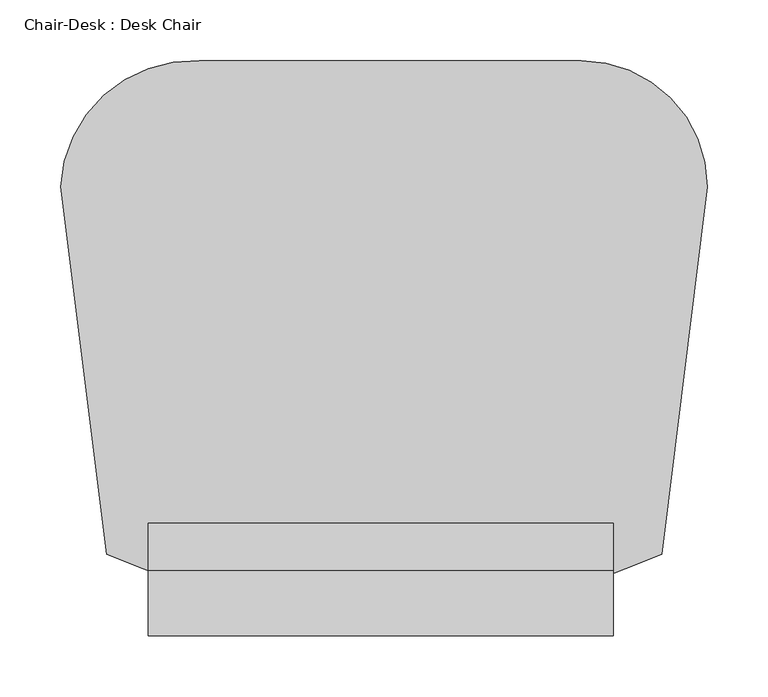
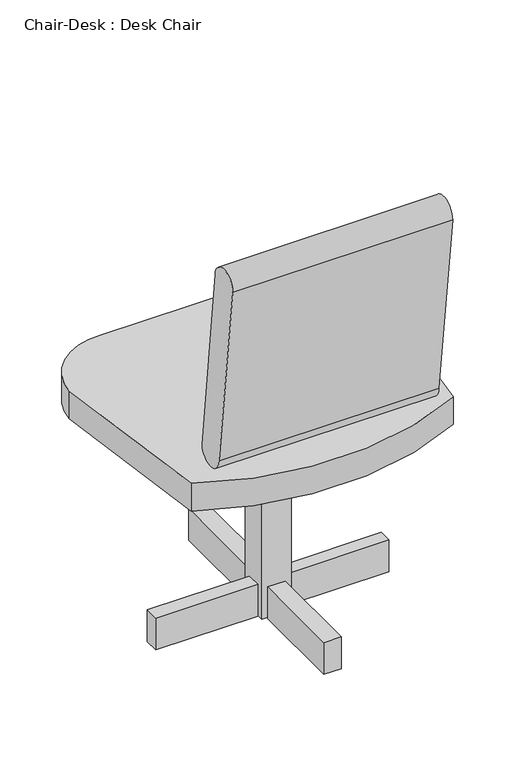
"""IFC4 building model written with IfcOpenShell, lengths in millimetres: furniture geometry, Chair-Desk : Desk Chair."""

from ifc_helpers import new_model, si_unit, point, frame, frame_2d, origin, origin_with_axes, place, context, project, spatial, polyline, circle_curve, trimmed, segment, composite_curve, outline, extrude, source, transform, mapped, element, save


def chair_desk_desk_chair_ccc35c8f(model_context):
    return source(origin(), model_context, "Body", "SweptSolid", [
        extrude(outline(polyline([(-203.6618182, 175.0290909), (-25.8618182, 175.0290909), (-25.8618182, 150.0462968), (-203.6618182, 150.0462968), (-203.6618182, 175.0290909)])), origin_with_axes(), (0.0, 0.0, 1.0), 58.5040426),
        extrude(outline(polyline([(204.1236364, 175.0290909), (204.1236364, 152.4), (26.7854545, 152.4), (26.7854545, 175.0290909), (204.1236364, 175.0290909)])), origin_with_axes(), (0.0, 0.0, 1.0), 58.5040426),
        extrude(outline(polyline([(-16.1636364, 188.8836364), (-16.1636364, 374.9517514), (14.3163636, 374.9517514), (14.3163636, 188.8836364), (-16.1636364, 188.8836364)])), origin_with_axes(), (0.0, 0.0, 1.0), 58.5040426),
        extrude(outline(polyline([(14.3163636, 136.2363636), (14.3163636, -33.2509091), (-16.1636364, -33.2509091), (-16.1636364, 136.2363636), (14.3163636, 136.2363636)])), origin_with_axes(), (0.0, 0.0, 1.0), 58.5040426),
        extrude(outline(polyline([(26.3236364, 190.2690909), (26.3236364, 139.4690909), (-24.4763636, 139.4690909), (-24.4763636, 190.2690909), (26.3236364, 190.2690909)])), origin_with_axes(), (0.0, 0.0, 1.0), 355.6),
        extrude(outline(composite_curve([segment(polyline([(-13.6321252, 787.4), (25.5523927, 451.3880753)]), True, "CONTINUOUS"), segment(trimmed(circle_curve(frame_2d((0.0761963, 451.3880753)), 25.4761963), [point((25.5523927, 451.3880753))], [point((-25.4, 451.3880753))], False, "CARTESIAN"), True, "CONTINUOUS"), segment(polyline([(-25.4, 451.3880753), (-67.209111, 787.4)]), True, "CONTINUOUS"), segment(trimmed(circle_curve(frame_2d((-40.4206181, 787.4)), 26.7884929), [point((-67.209111, 787.4))], [point((-13.6321252, 787.4))], False, "CARTESIAN"), True, "CONTINUOUS")], self_intersect=False)), frame((-194.3643056, 0.0, 0.0), z_axis=(1.0, 0.0, 0.0), x_axis=(0.0, 1.0, 0.0)), (0.0, 0.0, 1.0), 383.2768056),
        extrude(outline(composite_curve([segment(trimmed(circle_curve(frame_2d((-157.1362322, 297.1024212)), 109.4001491), [point((-266.4057871, 302.4462968))], [point((-152.4, 406.4))], False, "CARTESIAN"), True, "CONTINUOUS"), segment(polyline([(-152.4, 406.4), (162.2530084, 406.4)]), True, "CONTINUOUS"), segment(trimmed(circle_curve(frame_2d((162.2530084, 302.4462968)), 103.9537032), [point((162.2530084, 406.4))], [point((266.2067116, 302.4462968))], False, "CARTESIAN"), True, "CONTINUOUS"), segment(polyline([(266.2067116, 302.4462968), (228.6, 0.0)]), True, "CONTINUOUS"), segment(trimmed(circle_curve(frame_2d((0.0, 446.8941036)), 501.9684252), [point((228.6, 0.0))], [point((-228.6, 0.0))], False, "CARTESIAN"), True, "CONTINUOUS"), segment(polyline([(-228.6, 0.0), (-266.4057871, 302.4462968)]), True, "CONTINUOUS")], self_intersect=False)), frame((0.0, 0.0, 355.6), z_axis=(0.0, 0.0, 1.0), x_axis=(1.0, 0.0, 0.0)), (0.0, 0.0, 1.0), 50.8),
    ])


if __name__ == "__main__":
    model = new_model("IFC4")
    model_context = context("Model", 3, world=origin())
    ifc_project = project(units=[si_unit("LENGTHUNIT", "METRE", prefix="MILLI")], contexts=[model_context])
    site = spatial("IfcSite", under=ifc_project)
    building = spatial("IfcBuilding", under=site)
    placement = place(None, origin())
    chair_desk_desk_chair_shape = chair_desk_desk_chair_ccc35c8f(model_context)
    element("IfcFurniture", 1, ObjectType="Chair-Desk : Desk Chair", at=placement, inside=building, context=model_context, shape_type="MappedRepresentation", body=[
        mapped(chair_desk_desk_chair_shape, transform((0.0, 0.0, 0.0), x_axis=(1.0, 0.0, 0.0), y_axis=(0.0, 1.0, 0.0), z_axis=(0.0, 0.0, 1.0))),
    ])
    save(model, "model.ifc")
